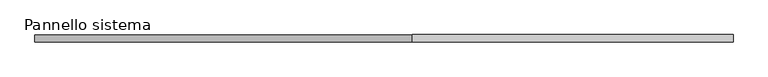
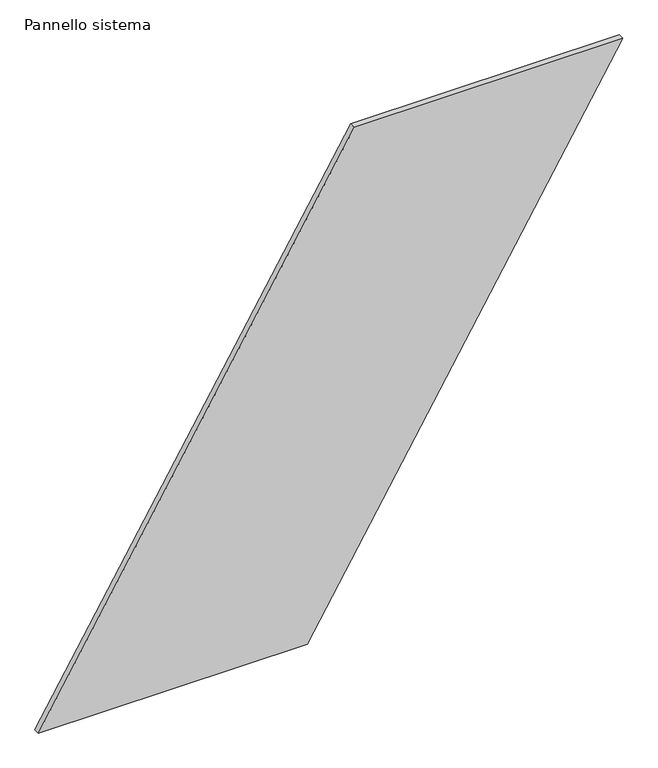
"""IFC4 building model written with IfcOpenShell, lengths in millimetres: plate geometry, Pannello sistema."""

from ifc_helpers import new_model, si_unit, frame, origin, place, context, project, spatial, polyline, outline, extrude, source, transform, mapped, element, save


def pannello_sistema_54551b1c(model_context):
    return source(origin(), model_context, "Body", "SweptSolid", [
        extrude(outline(polyline([(0.0, -1177.8583748), (0.0, -95.1535788), (2135.4974192, 1177.8583748), (2135.4974192, 95.1535788), (0.0, -1177.8583748)])), frame((0.0, -12.5, 0.0), z_axis=(0.0, 1.0, 0.0), x_axis=(0.0, 0.0, 1.0)), (0.0, 0.0, 1.0), 25.0),
    ])


if __name__ == "__main__":
    model = new_model("IFC4")
    model_context = context("Model", 3, world=origin())
    ifc_project = project(units=[si_unit("LENGTHUNIT", "METRE", prefix="MILLI")], contexts=[model_context])
    site = spatial("IfcSite", under=ifc_project)
    building = spatial("IfcBuilding", under=site)
    placement = place(None, origin())
    pannello_sistema_shape = pannello_sistema_54551b1c(model_context)
    element("IfcPlate", 1, ObjectType="Pannello sistema", at=placement, inside=building, context=model_context, shape_type="MappedRepresentation", body=[
        mapped(pannello_sistema_shape, transform((0.0, 0.0, 0.0), x_axis=(1.0, 0.0, 0.0), y_axis=(0.0, 1.0, 0.0), z_axis=(0.0, 0.0, 1.0))),
    ])
    save(model, "model.ifc")
